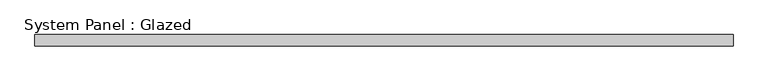
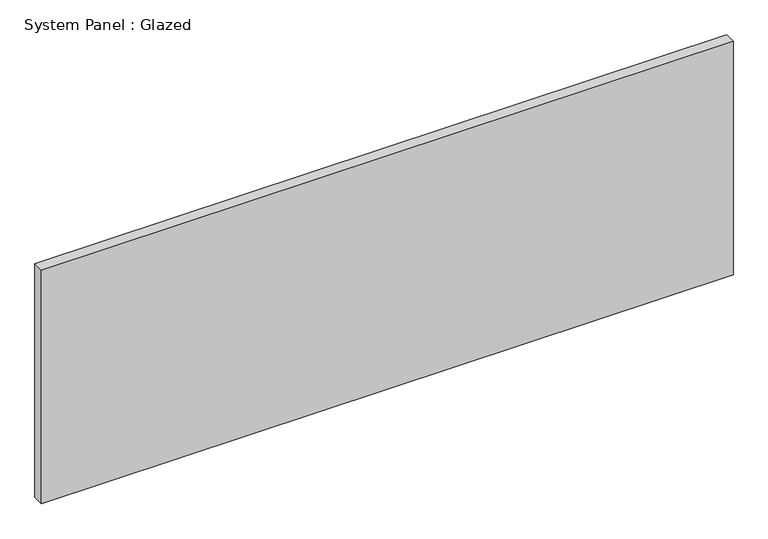
"""IFC4 building model written with IfcOpenShell, lengths in millimetres: plate geometry, System Panel : Glazed."""

from ifc_helpers import new_model, si_unit, origin, origin_with_axes, place, context, project, spatial, polyline, outline, extrude, source, transform, mapped, element, save


def system_panel_glazed_929d0995(model_context):
    return source(origin(), model_context, "Body", "SweptSolid", [
        extrude(outline(polyline([(781.562846, 24.5), (-781.562846, 24.5), (-781.562846, 49.5), (781.562846, 49.5), (781.562846, 24.5)])), origin_with_axes(), (0.0, 0.0, 1.0), 557.4833333),
    ])


if __name__ == "__main__":
    model = new_model("IFC4")
    model_context = context("Model", 3, world=origin())
    ifc_project = project(units=[si_unit("LENGTHUNIT", "METRE", prefix="MILLI")], contexts=[model_context])
    site = spatial("IfcSite", under=ifc_project)
    building = spatial("IfcBuilding", under=site)
    placement = place(None, origin())
    system_panel_glazed_shape = system_panel_glazed_929d0995(model_context)
    element("IfcPlate", 1, ObjectType="System Panel : Glazed", at=placement, inside=building, context=model_context, shape_type="MappedRepresentation", body=[
        mapped(system_panel_glazed_shape, transform((0.0, 0.0, 0.0), x_axis=(1.0, 0.0, 0.0), y_axis=(0.0, 1.0, 0.0), z_axis=(0.0, 0.0, 1.0))),
    ])
    save(model, "model.ifc")
